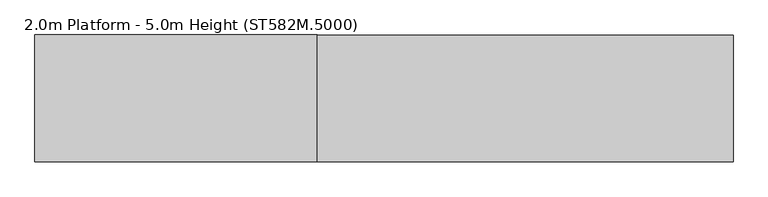
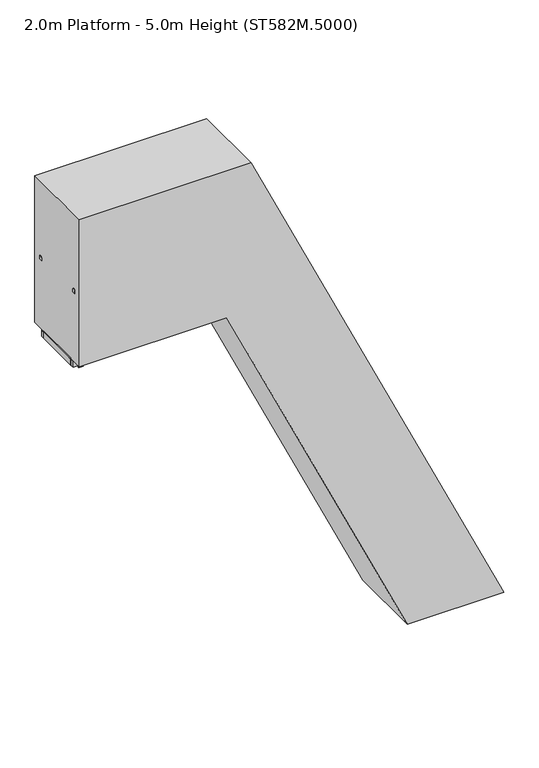
"""IFC4 building model written with IfcOpenShell, lengths in millimetres: proxy geometry, 2.0m Platform - 5.0m Height (ST582M.5000)."""

from ifc_helpers import new_model, si_unit, point, frame, frame_2d, origin, origin_with_axes, place, context, project, spatial, polyline, circle_curve, ellipse_curve, trimmed, segment, composite_curve, outline, extrude, source, transform, mapped, element, save
from ifc_brep_helpers import plane_surface, cylinder_surface, advanced_brep


def proxy_2_0m_platform_5_0m_height_st582m_5000_4fe5085c(model_context):
    return source(origin(), model_context, "Body", "SolidModel", [
        advanced_brep(
        [(-556.8328319, 372.0, 5942.0), (-556.8328319, 372.0, 5987.0), (-544.1016939, 372.0, 5942.0), (-515.4337404, 372.0, 5987.0), (-513.5569732, 372.0, 5876.4977609), (-472.773248, 372.0, 5895.5158512)],
        [
            (0, 1, circle_curve(frame((-556.8328319, 372.0, 5964.5), z_axis=(-1.0, 0.0, 0.0), x_axis=(0.0, 0.0, 1.0)), 22.5)),
            (1, 0, circle_curve(frame((-556.8328319, 372.0, 5964.5), z_axis=(-1.0, 0.0, 0.0), x_axis=(0.0, 0.0, 1.0)), 22.5)),
            (0, 2),
            (2, 3, ellipse_curve(frame((-529.7677171, 372.0, 5964.5), z_axis=(-0.843393214358278, 0.0, 0.5372968322765472), x_axis=(-0.5372968322765467, 0.0, -0.8433932143582782)), 26.6779476, 22.5)),
            (3, 1),
            (3, 2, ellipse_curve(frame((-529.7677171, 372.0, 5964.5), z_axis=(-0.843393214358278, 0.0, 0.5372968322765472), x_axis=(-0.5372968322765467, 0.0, -0.8433932143582782)), 26.6779476, 22.5)),
            (4, 5, circle_curve(frame((-493.1651106, 372.0, 5886.0068061), z_axis=(0.42262422805117583, 0.0, -0.9063050048764751), x_axis=(0.9063050048764751, 0.0, 0.42262422805117583)), 22.5)),
            (5, 4, circle_curve(frame((-493.1651106, 372.0, 5886.0068061), z_axis=(0.42262422805117583, 0.0, -0.9063050048764751), x_axis=(0.9063050048764751, 0.0, 0.42262422805117583)), 22.5)),
            (2, 4),
            (5, 3),
        ],
        [
            plane_surface(frame((-556.8328319, 0.0, 5987.0), z_axis=(-1.0, 0.0, 0.0), x_axis=(0.0, -1.0, 0.0))),
            cylinder_surface(frame((-556.8328319, 372.0, 5964.5), z_axis=(-1.0, 0.0, 0.0), x_axis=(0.0, 0.0, 1.0)), 22.5),
            plane_surface(frame((-472.773248, 0.0, 5895.5158512), z_axis=(0.42262422805117583, 0.0, -0.9063050048764751), x_axis=(0.0, -1.0, 0.0))),
            cylinder_surface(frame((-535.825603, 372.0, 5977.4909549), z_axis=(-0.42262422805117583, 0.0, 0.9063050048764751), x_axis=(0.9063050048764751, 0.0, 0.42262422805117583)), 22.5),
        ],
        [
            (0, [[1, 2]]),
            (1, [[-1, 3, 4, 5]]),
            (1, [[-2, -5, 6, -3]]),
            (2, [[7, 8]]),
            (3, [[-4, 9, -8, 10]]),
            (3, [[-6, -10, -7, -9]]),
        ],
    ),
        advanced_brep(
        [(-556.8328319, -372.0, 5942.0), (-556.8328319, -372.0, 5987.0), (-544.1016939, -372.0, 5942.0), (-515.4337404, -372.0, 5987.0), (-513.5569732, -372.0, 5876.4977609), (-472.773248, -372.0, 5895.5158512)],
        [
            (0, 1, circle_curve(frame((-556.8328319, -372.0, 5964.5), z_axis=(-1.0, 0.0, 0.0), x_axis=(0.0, 0.0, 1.0)), 22.5)),
            (1, 0, circle_curve(frame((-556.8328319, -372.0, 5964.5), z_axis=(-1.0, 0.0, 0.0), x_axis=(0.0, 0.0, 1.0)), 22.5)),
            (0, 2),
            (2, 3, ellipse_curve(frame((-529.7677171, -372.0, 5964.5), z_axis=(-0.843393214358278, 0.0, 0.5372968322765472), x_axis=(-0.5372968322765467, 0.0, -0.8433932143582782)), 26.6779476, 22.5)),
            (3, 1),
            (3, 2, ellipse_curve(frame((-529.7677171, -372.0, 5964.5), z_axis=(-0.843393214358278, 0.0, 0.5372968322765472), x_axis=(-0.5372968322765467, 0.0, -0.8433932143582782)), 26.6779476, 22.5)),
            (4, 5, circle_curve(frame((-493.1651106, -372.0, 5886.0068061), z_axis=(0.42262422805117583, 0.0, -0.9063050048764751), x_axis=(0.9063050048764751, 0.0, 0.42262422805117583)), 22.5)),
            (5, 4, circle_curve(frame((-493.1651106, -372.0, 5886.0068061), z_axis=(0.42262422805117583, 0.0, -0.9063050048764751), x_axis=(0.9063050048764751, 0.0, 0.42262422805117583)), 22.5)),
            (2, 4),
            (5, 3),
        ],
        [
            plane_surface(frame((-556.8328319, 0.0, 5987.0), z_axis=(-1.0, 0.0, 0.0), x_axis=(0.0, -1.0, 0.0))),
            cylinder_surface(frame((-556.8328319, -372.0, 5964.5), z_axis=(-1.0, 0.0, 0.0), x_axis=(0.0, 0.0, 1.0)), 22.5),
            plane_surface(frame((-472.773248, 0.0, 5895.5158512), z_axis=(0.42262422805117583, 0.0, -0.9063050048764751), x_axis=(0.0, -1.0, 0.0))),
            cylinder_surface(frame((-535.825603, -372.0, 5977.4909549), z_axis=(-0.42262422805117583, 0.0, 0.9063050048764751), x_axis=(0.9063050048764751, 0.0, 0.42262422805117583)), 22.5),
        ],
        [
            (0, [[1, 2]]),
            (1, [[-1, 3, 4, 5]]),
            (1, [[-2, -5, 6, -3]]),
            (2, [[7, 8]]),
            (3, [[-4, 9, -8, 10]]),
            (3, [[-6, -10, -7, -9]]),
        ],
    ),
        extrude(outline(polyline([(-2358.8328319, -304.5), (-2396.8328319, -304.5), (-2396.8328319, 304.5), (-2358.8328319, 304.5), (-2358.8328319, -304.5)])), frame((0.0, 0.0, 4901.0), z_axis=(0.0, 0.0, 1.0), x_axis=(1.0, 0.0, 0.0)), (0.0, 0.0, 1.0), 80.0),
        extrude(outline(composite_curve([segment(polyline([(349.5, 5930.0), (349.5, 5964.5)]), True, "CONTINUOUS"), segment(trimmed(circle_curve(frame_2d((372.0, 5964.5)), 22.5), [point((349.5, 5964.5))], [point((394.5, 5964.5))], False, "CARTESIAN"), True, "CONTINUOUS"), segment(polyline([(394.5, 5964.5), (394.5, 5930.0), (349.5, 5930.0)]), True, "CONTINUOUS")], self_intersect=False)), frame((-2396.8328319, 0.0, 0.0), z_axis=(1.0, 0.0, 0.0), x_axis=(0.0, 1.0, 0.0)), (0.0, 0.0, 1.0), 1840.0),
        extrude(outline(composite_curve([segment(polyline([(-349.5, 5930.0), (-394.5, 5930.0), (-394.5, 5964.5)]), True, "CONTINUOUS"), segment(trimmed(circle_curve(frame_2d((-372.0, 5964.5)), 22.5), [point((-394.5, 5964.5))], [point((-349.5, 5964.5))], False, "CARTESIAN"), True, "CONTINUOUS"), segment(polyline([(-349.5, 5964.5), (-349.5, 5930.0)]), True, "CONTINUOUS")], self_intersect=False)), frame((-2396.8328319, 0.0, 0.0), z_axis=(1.0, 0.0, 0.0), x_axis=(0.0, 1.0, 0.0)), (0.0, 0.0, 1.0), 1840.0),
        extrude(outline(polyline([(-2232.8328319, 353.0), (-2232.8328319, 343.0), (-2392.8328319, 343.0), (-2392.8328319, 353.0), (-2232.8328319, 353.0)])), frame((0.0, 0.0, 4901.0), z_axis=(0.0, 0.0, 1.0), x_axis=(1.0, 0.0, 0.0)), (0.0, 0.0, 1.0), 80.0),
        extrude(outline(polyline([(-2232.8328319, -343.0), (-2232.8328319, -353.0), (-2392.8328319, -353.0), (-2392.8328319, -343.0), (-2232.8328319, -343.0)])), frame((0.0, 0.0, 4901.0), z_axis=(0.0, 0.0, 1.0), x_axis=(1.0, 0.0, 0.0)), (0.0, 0.0, 1.0), 80.0),
        extrude(outline(polyline([(-2283.8328319, 391.0), (-2283.8328319, 353.0), (-2341.8328319, 353.0), (-2341.8328319, 391.0), (-2283.8328319, 391.0)])), frame((0.0, 0.0, 4901.0), z_axis=(0.0, 0.0, 1.0), x_axis=(1.0, 0.0, 0.0)), (0.0, 0.0, 1.0), 1029.0),
        extrude(outline(polyline([(-2283.8328319, -353.0), (-2283.8328319, -391.0), (-2341.8328319, -391.0), (-2341.8328319, -353.0), (-2283.8328319, -353.0)])), frame((0.0, 0.0, 4901.0), z_axis=(0.0, 0.0, 1.0), x_axis=(1.0, 0.0, 0.0)), (0.0, 0.0, 1.0), 1029.0),
        extrude(outline(polyline([(-396.8328319, 343.0), (-396.8328319, 304.5), (-2396.8328319, 304.5), (-2396.8328319, 343.0), (-396.8328319, 343.0)])), frame((0.0, 0.0, 4901.0), z_axis=(0.0, 0.0, 1.0), x_axis=(1.0, 0.0, 0.0)), (0.0, 0.0, 1.0), 80.0),
        extrude(outline(polyline([(-396.8328319, -304.5), (-396.8328319, -343.0), (-2396.8328319, -343.0), (-2396.8328319, -304.5), (-396.8328319, -304.5)])), frame((0.0, 0.0, 4901.0), z_axis=(0.0, 0.0, 1.0), x_axis=(1.0, 0.0, 0.0)), (0.0, 0.0, 1.0), 80.0),
        extrude(outline(polyline([(-399.8328319, 297.5), (-399.8328319, -297.5), (-2393.8328319, -297.5), (-2393.8328319, 297.5), (-399.8328319, 297.5)])), frame((0.0, 0.0, 4984.0), z_axis=(0.0, 0.0, 1.0), x_axis=(1.0, 0.0, 0.0)), (0.0, 0.0, 1.0), 13.0),
        extrude(outline(polyline([(5000.0, -414.8328319), (4997.0, -414.8328319), (4997.0, -399.8328319), (4984.0, -399.8328319), (4984.0, -414.8328319), (4981.0, -414.8328319), (4981.0, -396.8328319), (5000.0, -396.8328319), (5000.0, -414.8328319)])), frame((0.0, -297.5, 0.0), z_axis=(0.0, 1.0, 0.0), x_axis=(0.0, 0.0, 1.0)), (0.0, 0.0, 1.0), 595.0),
        extrude(outline(polyline([(5000.0, -2378.8328319), (5000.0, -2396.8328319), (4981.0, -2396.8328319), (4981.0, -2378.8328319), (4984.0, -2378.8328319), (4984.0, -2393.8328319), (4997.0, -2393.8328319), (4997.0, -2378.8328319), (5000.0, -2378.8328319)])), frame((0.0, -297.5, 0.0), z_axis=(0.0, 1.0, 0.0), x_axis=(0.0, 0.0, 1.0)), (0.0, 0.0, 1.0), 595.0),
        extrude(outline(polyline([(4981.0, -287.140843), (4981.0, -476.8328319), (4901.0, -476.8328319), (4901.0, -249.8362303), (4981.0, -287.140843)])), frame((0.0, 344.0, 0.0), z_axis=(0.0, 1.0, 0.0), x_axis=(0.0, 0.0, 1.0)), (0.0, 0.0, 1.0), 6.0),
        extrude(outline(polyline([(4981.0, -284.7751404), (4981.0, -476.8328319), (4901.0, -476.8328319), (4901.0, -247.4705278), (4981.0, -284.7751404)])), frame((0.0, -350.0, 0.0), z_axis=(0.0, 1.0, 0.0), x_axis=(0.0, 0.0, 1.0)), (0.0, 0.0, 1.0), 6.0),
        extrude(outline(polyline([(-304.5, 79.9999999), (-304.5, 0.0), (-343.0, 0.0), (-343.0, 79.9999999), (-304.5, 79.9999999)])), frame((1946.8352254, 0.0, 6.0), z_axis=(-0.42261826174069755, 0.0, 0.9063077870366509), x_axis=(0.0, -1.0, 0.0)), (0.0, 0.0, 1.0), 5510.2693273),
        extrude(outline(polyline([(343.0, 79.9999999), (343.0, 0.0), (304.5, 0.0), (304.5, 79.9999999), (343.0, 79.9999999)])), frame((1946.8352254, 0.0, 6.0), z_axis=(-0.42261826174069755, 0.0, 0.9063077870366509), x_axis=(0.0, -1.0, 0.0)), (0.0, 0.0, 1.0), 5510.2693273),
        extrude(outline(polyline([(141.9461681, 1971.7127196), (108.1367071, 1899.2080967), (6.0, 1946.8352254), (6.0, 2035.1054589), (141.9461681, 1971.7127196)])), frame((0.0, 344.0, 0.0), z_axis=(0.0, 1.0, 0.0), x_axis=(0.0, 0.0, 1.0)), (0.0, 0.0, 1.0), 6.0),
        extrude(outline(polyline([(141.9461681, 1971.7127196), (108.1367071, 1899.2080967), (6.0, 1946.8352254), (6.0, 2035.1054589), (141.9461681, 1971.7127196)])), frame((0.0, -350.0, 0.0), z_axis=(0.0, 1.0, 0.0), x_axis=(0.0, 0.0, 1.0)), (0.0, 0.0, 1.0), 6.0),
        extrude(outline(polyline([(2041.0054589, 358.0), (2041.0054589, -358.0), (1941.0054589, -358.0), (1941.0054589, 358.0), (2041.0054589, 358.0)])), origin_with_axes(), (0.0, 0.0, 1.0), 6.0),
        extrude(outline(polyline([(5000.0, -493.6655951), (0.0, 1837.9047444), (0.0, 3086.1151565), (7000.0, -178.0833188), (7000.0, -2396.8328319), (5000.0, -2396.8328319), (5000.0, -493.6655951)])), frame((0.0, -498.0, 0.0), z_axis=(0.0, 1.0, 0.0), x_axis=(0.0, 0.0, 1.0)), (0.0, 0.0, 1.0), 996.0),
    ])


if __name__ == "__main__":
    model = new_model("IFC4")
    model_context = context("Model", 3, world=origin())
    ifc_project = project(units=[si_unit("LENGTHUNIT", "METRE", prefix="MILLI")], contexts=[model_context])
    site = spatial("IfcSite", under=ifc_project)
    building = spatial("IfcBuilding", under=site)
    placement = place(None, origin())
    proxy_2_0m_platform_5_0m_height_st582m_5000_shape = proxy_2_0m_platform_5_0m_height_st582m_5000_4fe5085c(model_context)
    element("IfcBuildingElementProxy", 1, Name="2.0m Platform - 5.0m Height (ST582M.5000)", ObjectType="2.0m Platform - 5.0m Height (ST582M.5000)", at=placement, inside=building, context=model_context, shape_type="MappedRepresentation", body=[
        mapped(proxy_2_0m_platform_5_0m_height_st582m_5000_shape, transform((0.0, 0.0, 0.0), x_axis=(1.0, 0.0, 0.0), y_axis=(0.0, 1.0, 0.0), z_axis=(0.0, 0.0, 1.0))),
    ])
    save(model, "model.ifc")
